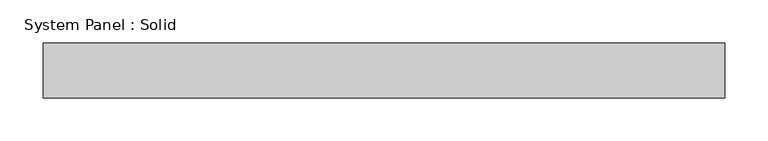
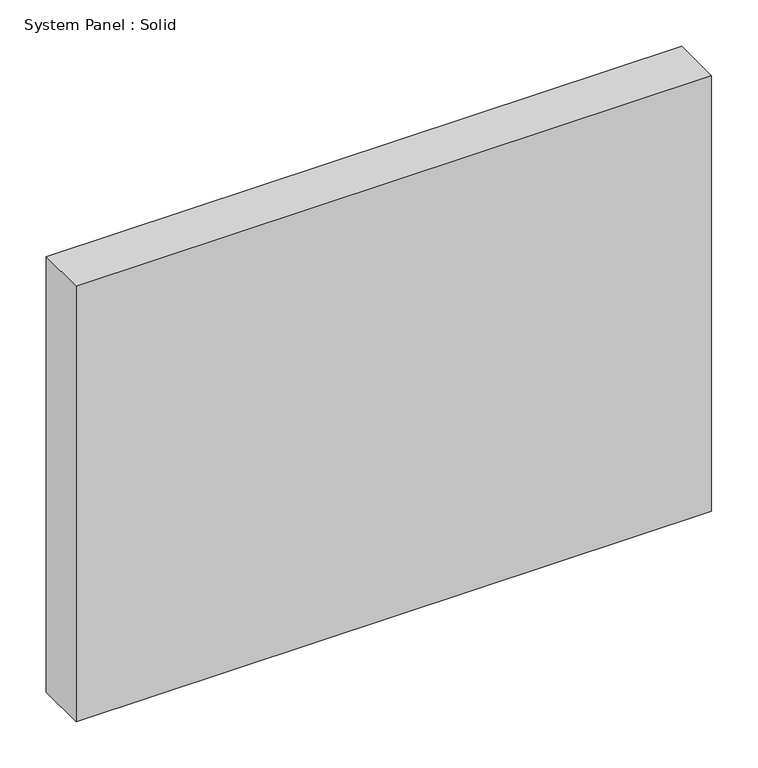
"""IFC4 building model written with IfcOpenShell, lengths in millimetres: plate geometry, System Panel : Solid."""

from ifc_helpers import new_model, si_unit, origin, origin_with_axes, place, context, project, spatial, polyline, outline, extrude, source, transform, mapped, element, save


def system_panel_solid_8e77ed5b(model_context):
    return source(origin(), model_context, "Body", "SweptSolid", [
        extrude(outline(polyline([(394.6795416, -19.05), (-394.6795416, -19.05), (-394.6795416, 44.45), (394.6795416, 44.45), (394.6795416, -19.05)])), origin_with_axes(), (0.0, 0.0, 1.0), 571.5),
    ])


if __name__ == "__main__":
    model = new_model("IFC4")
    model_context = context("Model", 3, world=origin())
    ifc_project = project(units=[si_unit("LENGTHUNIT", "METRE", prefix="MILLI")], contexts=[model_context])
    site = spatial("IfcSite", under=ifc_project)
    building = spatial("IfcBuilding", under=site)
    placement = place(None, origin())
    system_panel_solid_shape = system_panel_solid_8e77ed5b(model_context)
    element("IfcPlate", 1, ObjectType="System Panel : Solid", at=placement, inside=building, context=model_context, shape_type="MappedRepresentation", body=[
        mapped(system_panel_solid_shape, transform((0.0, 0.0, 0.0), x_axis=(1.0, 0.0, 0.0), y_axis=(0.0, 1.0, 0.0), z_axis=(0.0, 0.0, 1.0))),
    ])
    save(model, "model.ifc")
